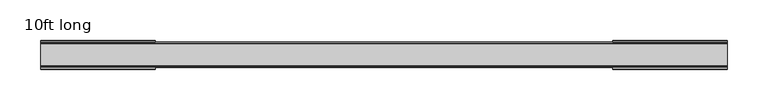
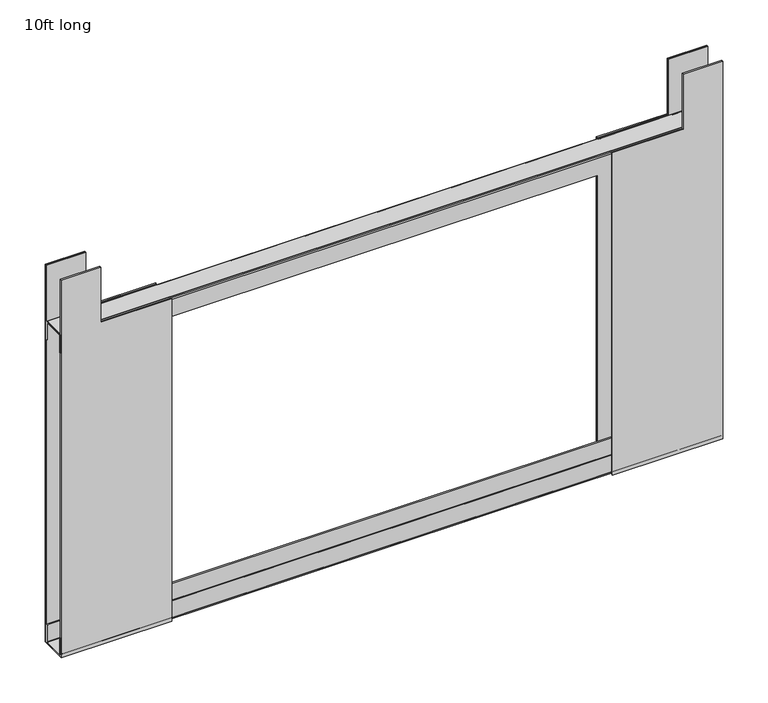
"""IFC4 building model written with IfcOpenShell, lengths in millimetres: furniture geometry, 10ft long."""

from ifc_helpers import new_model, si_unit, point, frame, frame_2d, origin, place, context, project, spatial, polyline, circle_curve, trimmed, segment, composite_curve, outline, extrude, triangles, source, transform, mapped, element, save


def furniture_10ft_long_ed93add2(model_context):
    return source(origin(), model_context, "Body", "SolidModel", [
        triangles([(-420.4970078, 13.483753, 1866.5433357), (420.4970078, 13.483753, 1866.5433357), (420.4970078, 13.2771511, 1866.5705143), (-420.4970078, 13.2771511, 1866.5705143), (-420.4970078, 13.676275, 1866.4635441), (420.4970078, 13.676275, 1866.4635441), (-420.4970078, 13.8415981, 1866.3366623), (420.4970078, 13.8415981, 1866.3366623), (-420.4970078, 14.0482, 1865.9788353), (420.4970078, 14.0482, 1865.9788353), (420.4970078, 13.9684549, 1866.1714108), (-420.4970078, 13.9684549, 1866.1714108), (-420.4970078, 14.0754002, 1865.7723072), (420.4970078, 14.0754002, 1865.7723072), (420.4970078, -13.1758559, 1866.5705143), (-420.4970078, -13.1758559, 1866.5705143), (-420.4970078, -14.0449424, 1865.9036945), (420.4970078, -14.0449424, 1865.9036945), (420.4970078, -14.0756, 1865.6707146), (-420.4970078, -14.0756, 1865.6707146), (-420.4970078, -13.9550575, 1866.1206871), (420.4970078, -13.9550575, 1866.1206871), (-420.4970078, -13.8120714, 1866.3070129), (420.4970078, -13.8120714, 1866.3070129), (-420.4970078, -13.4087269, 1866.5398476), (420.4970078, -13.4087269, 1866.5398476), (420.4970078, -13.6257274, 1866.4500275), (-420.4970078, -13.6257274, 1866.4500275), (-420.4970078, -14.0756, 1842.9472469), (420.4970078, -14.0756, 1842.9472469), (420.4970078, -15.5955994, 1842.9472469), (-420.4970078, -15.5955994, 1842.9472469), (420.4970078, -14.9268528, 1867.4217705), (-420.4970078, -14.9268528, 1867.4217705), (-420.4970078, -15.5955994, 1865.8084969), (420.4970078, -15.5955994, 1865.8084969), (420.4970078, -13.3135996, 1868.0904797), (-420.4970078, -13.3135996, 1868.0904797), (420.4970078, 13.3133998, 1868.0904797), (-420.4970078, 13.3133998, 1868.0904797), (420.4970078, 14.9266518, 1867.4217705), (-420.4970078, 14.9266518, 1867.4217705), (420.4970078, 15.5953996, 1865.8084969), (-420.4970078, 15.5953996, 1865.8084969), (-420.4970078, 15.5953996, 1842.9834366), (420.4970078, 15.5953996, 1842.9834366), (420.4970078, 14.0754002, 1842.9834366), (-420.4970078, 14.0754002, 1842.9834366), (-370.4843991, 15.5955994, 1868.0904797), (-370.4843991, 17.1156, 1868.0904797), (-370.4843991, 17.1156, 1942.5054142), (-370.4843991, 15.5955994, 1942.5054142), (-280.3906069, 15.5955994, 1868.0904797), (-280.3906069, 17.1156, 1868.0904797), (-280.3906069, 17.1156, 1435.2166111), (-280.3906069, 15.5955994, 1435.2166111), (-420.4970078, 17.1156, 1435.2166111), (-420.4970078, 15.5955994, 1435.2166111), (-420.4970078, 17.1156, 1942.5054142), (-420.4970078, 15.5955994, 1942.5054142), (-370.4843991, -15.5955994, 1868.0904797), (-370.4843991, -17.1156, 1868.0904797), (-280.3906069, -17.1156, 1868.0904797), (-280.3906069, -15.5955994, 1868.0904797), (-370.4843991, -15.5955994, 1942.5054142), (-370.4843991, -17.1156, 1942.5054142), (-420.4970078, -17.1156, 1435.2166111), (-420.4970078, -15.5955994, 1435.2166111), (-280.3906069, -15.5955994, 1435.2166111), (-280.3906069, -17.1156, 1435.2166111), (-420.4970078, -15.5955994, 1942.5054142), (-420.4970078, -17.1156, 1942.5054142), (-420.4970078, 14.0482, 1437.2945366), (420.4970078, 14.0482, 1437.2945366), (420.4970078, 14.0754002, 1437.50121), (-420.4970078, 14.0754002, 1437.50121), (-420.4970078, 13.9684549, 1437.1019611), (420.4970078, 13.9684549, 1437.1019611), (-420.4970078, 13.8415981, 1436.9367096), (420.4970078, 13.8415981, 1436.9367096), (-420.4970078, 13.483753, 1436.7300362), (420.4970078, 13.483753, 1436.7300362), (420.4970078, 13.676275, 1436.8098278), (-420.4970078, 13.676275, 1436.8098278), (-420.4970078, 13.2771511, 1436.7028576), (420.4970078, 13.2771511, 1436.7028576), (-420.4970078, -13.1758559, 1436.7028576), (420.4970078, -13.1758559, 1436.7028576), (-420.4970078, -13.4087269, 1436.7335243), (420.4970078, -13.4087269, 1436.7335243), (-420.4970078, -13.6257274, 1436.8234898), (420.4970078, -13.6257274, 1436.8234898), (-420.4970078, -13.8120714, 1436.9663589), (420.4970078, -13.8120714, 1436.9663589), (-420.4970078, -14.0449424, 1437.3698227), (420.4970078, -14.0449424, 1437.3698227), (420.4970078, -13.9550575, 1437.1528301), (-420.4970078, -13.9550575, 1437.1528301), (-420.4970078, -14.0756, 1437.6026573), (420.4970078, -14.0756, 1437.6026573), (420.4970078, -14.0756, 1460.3262703), (-420.4970078, -14.0756, 1460.3262703), (-420.4970078, -15.5955994, 1460.3262703), (420.4970078, -15.5955994, 1460.3262703), (420.4970078, -15.5955994, 1437.464875), (-420.4970078, -15.5955994, 1437.464875), (-420.4970078, -14.9268528, 1435.8516014), (420.4970078, -14.9268528, 1435.8516014), (-420.4970078, -13.3135996, 1435.1828922), (420.4970078, -13.3135996, 1435.1828922), (-420.4970078, 13.3133998, 1435.1828922), (420.4970078, 13.3133998, 1435.1828922), (420.4970078, 14.9266518, 1435.8516014), (-420.4970078, 14.9266518, 1435.8516014), (-420.4970078, 15.5953996, 1437.464875), (420.4970078, 15.5953996, 1437.464875), (420.4970078, 15.5953996, 1460.2899353), (-420.4970078, 15.5953996, 1460.2899353), (-420.4970078, 14.0754002, 1460.2899353), (420.4970078, 14.0754002, 1460.2899353), (370.4843991, 15.5955994, 1868.0904797), (370.4843991, 15.5955994, 1942.5054142), (370.4843991, 17.1156, 1942.5054142), (370.4843991, 17.1156, 1868.0904797), (280.3906069, 17.1156, 1868.0904797), (280.3906069, 15.5955994, 1868.0904797), (420.4970078, 17.1156, 1435.2166111), (420.4970078, 15.5955994, 1435.2166111), (280.3906069, 15.5955994, 1435.2166111), (280.3906069, 17.1156, 1435.2166111), (420.4970078, 15.5955994, 1942.5054142), (420.4970078, 17.1156, 1942.5054142), (280.3906069, -15.5955994, 1868.0904797), (280.3906069, -17.1156, 1868.0904797), (370.4843991, -17.1156, 1868.0904797), (370.4843991, -15.5955994, 1868.0904797), (370.4843991, -17.1156, 1942.5054142), (370.4843991, -15.5955994, 1942.5054142), (280.3906069, -17.1156, 1435.2166111), (280.3906069, -15.5955994, 1435.2166111), (420.4970078, -17.1156, 1435.2166111), (420.4970078, -15.5955994, 1435.2166111), (420.4970078, -17.1156, 1942.5054142), (420.4970078, -15.5955994, 1942.5054142)], [[1, 2, 3], [1, 3, 4], [5, 6, 2], [5, 2, 1], [6, 5, 7], [6, 7, 8], [9, 10, 11], [9, 11, 12], [13, 14, 10], [13, 10, 9], [8, 7, 12], [8, 12, 11], [4, 3, 15], [4, 15, 16], [17, 18, 19], [17, 19, 20], [21, 22, 18], [21, 18, 17], [22, 21, 23], [22, 23, 24], [25, 26, 27], [25, 27, 28], [16, 15, 26], [16, 26, 25], [24, 23, 28], [24, 28, 27], [29, 30, 31], [29, 31, 32], [33, 34, 35], [33, 35, 36], [37, 38, 34], [37, 34, 33], [39, 40, 38], [39, 38, 37], [41, 42, 40], [41, 40, 39], [42, 41, 43], [42, 43, 44], [45, 46, 47], [45, 47, 48], [43, 46, 45], [43, 45, 44], [36, 35, 32], [36, 32, 31], [20, 19, 30], [20, 30, 29], [14, 13, 48], [14, 48, 47], [20, 29, 35], [29, 32, 35], [21, 17, 34], [17, 35, 34], [35, 17, 20], [45, 48, 13], [45, 13, 44], [44, 9, 12], [44, 12, 42], [9, 44, 13], [28, 23, 34], [38, 25, 28], [38, 28, 34], [16, 25, 38], [16, 38, 40], [23, 21, 34], [5, 1, 40], [5, 40, 42], [7, 5, 42], [40, 4, 16], [40, 1, 4], [7, 42, 12], [37, 26, 15], [37, 15, 39], [37, 33, 27], [37, 27, 26], [24, 27, 33], [33, 22, 24], [41, 39, 6], [41, 6, 8], [3, 39, 15], [2, 39, 3], [2, 6, 39], [41, 8, 11], [36, 18, 22], [36, 22, 33], [18, 36, 19], [31, 30, 19], [31, 19, 36], [11, 10, 41], [10, 43, 41], [43, 10, 14], [14, 47, 43], [47, 46, 43], [49, 50, 51], [49, 51, 52], [53, 54, 50], [53, 50, 49], [55, 56, 57], [56, 58, 57], [56, 55, 54], [56, 54, 53], [52, 51, 59], [52, 59, 60], [58, 60, 59], [58, 59, 57], [50, 54, 55], [50, 55, 57], [59, 51, 50], [59, 50, 57], [49, 52, 60], [49, 60, 58], [56, 53, 49], [56, 49, 58], [61, 62, 63], [61, 63, 64], [65, 66, 62], [65, 62, 61], [67, 68, 69], [67, 69, 70], [64, 63, 70], [64, 70, 69], [71, 72, 66], [71, 66, 65], [72, 71, 68], [72, 68, 67], [62, 66, 72], [67, 70, 62], [67, 62, 72], [62, 70, 63], [61, 69, 68], [61, 68, 71], [69, 61, 64], [65, 61, 71], [73, 74, 75], [73, 75, 76], [77, 78, 74], [77, 74, 73], [78, 77, 79], [78, 79, 80], [81, 82, 83], [81, 83, 84], [85, 86, 82], [85, 82, 81], [80, 79, 84], [80, 84, 83], [86, 85, 87], [86, 87, 88], [89, 90, 88], [89, 88, 87], [91, 92, 90], [91, 90, 89], [92, 91, 93], [92, 93, 94], [95, 96, 97], [95, 97, 98], [99, 100, 96], [99, 96, 95], [94, 93, 98], [94, 98, 97], [101, 102, 103], [101, 103, 104], [105, 106, 107], [105, 107, 108], [109, 110, 108], [109, 108, 107], [111, 112, 110], [111, 110, 109], [113, 112, 111], [113, 111, 114], [115, 116, 113], [115, 113, 114], [117, 118, 119], [117, 119, 120], [117, 116, 115], [117, 115, 118], [104, 103, 106], [104, 106, 105], [102, 101, 100], [102, 100, 99], [120, 119, 76], [120, 76, 75], [109, 89, 87], [109, 87, 111], [109, 107, 91], [109, 91, 89], [93, 91, 107], [107, 98, 93], [114, 111, 84], [114, 84, 79], [85, 111, 87], [81, 111, 85], [81, 84, 111], [114, 79, 77], [106, 95, 98], [106, 98, 107], [95, 106, 99], [103, 102, 99], [103, 99, 106], [77, 73, 115], [77, 115, 114], [115, 73, 76], [76, 119, 118], [76, 118, 115], [100, 101, 104], [100, 104, 105], [97, 96, 105], [97, 105, 108], [105, 96, 100], [117, 120, 75], [117, 75, 116], [116, 74, 78], [116, 78, 113], [74, 116, 75], [92, 94, 108], [110, 90, 92], [110, 92, 108], [88, 90, 112], [90, 110, 112], [94, 97, 108], [83, 82, 113], [82, 112, 113], [80, 83, 113], [112, 86, 88], [112, 82, 86], [80, 113, 78], [121, 122, 123], [121, 123, 124], [121, 124, 125], [121, 125, 126], [127, 128, 129], [127, 129, 130], [129, 126, 125], [129, 125, 130], [131, 132, 123], [131, 123, 122], [128, 127, 132], [128, 132, 131], [124, 123, 132], [127, 130, 124], [127, 124, 132], [124, 130, 125], [121, 129, 128], [121, 128, 131], [129, 121, 126], [122, 121, 131], [133, 134, 135], [133, 135, 136], [137, 138, 136], [137, 136, 135], [139, 140, 141], [140, 142, 141], [134, 133, 140], [134, 140, 139], [138, 137, 143], [138, 143, 144], [144, 143, 141], [144, 141, 142], [135, 134, 139], [135, 139, 141], [143, 137, 135], [143, 135, 141], [136, 138, 144], [136, 144, 142], [140, 133, 136], [140, 136, 142]]),
        extrude(outline(polyline([(1942.5053658, 420.4970078), (1942.5053658, 370.4843991), (1868.424, 370.4843991), (1868.424, 280.3906069), (1435.2165625, 280.3906069), (1435.2165625, 420.4970078), (1942.5053658, 420.4970078)])), frame((0.0, 16.0963002, 0.0), z_axis=(0.0, 1.0, 0.0), x_axis=(0.0, 0.0, 1.0)), (0.0, 0.0, 1.0), 1.5199994),
        extrude(outline(polyline([(1942.5053658, 420.4970078), (1942.5053658, 370.4843991), (1868.424, 370.4843991), (1868.424, 280.3906069), (1435.2165625, 280.3906069), (1435.2165625, 420.4970078), (1942.5053658, 420.4970078)])), frame((0.0, -17.6162996, 0.0), z_axis=(0.0, 1.0, 0.0), x_axis=(0.0, 0.0, 1.0)), (0.0, 0.0, 1.0), 1.5199994),
        extrude(outline(polyline([(1942.5053658, -420.4970078), (1435.2165625, -420.4970078), (1435.2165625, -280.3906069), (1868.424, -280.3906069), (1868.424, -370.4843991), (1942.5053658, -370.4843991), (1942.5053658, -420.4970078)])), frame((0.0, 16.0963002, 0.0), z_axis=(0.0, 1.0, 0.0), x_axis=(0.0, 0.0, 1.0)), (0.0, 0.0, 1.0), 1.5199994),
        extrude(outline(composite_curve([segment(polyline([(-15.5954995, 1460.4500058), (-14.0755001, 1460.4500058), (-14.0755001, 1437.8048489)]), True, "CONTINUOUS"), segment(trimmed(circle_curve(frame_2d((-13.0206916, 1437.8048489)), 1.0548085), [point((-14.0755001, 1437.8048489))], [point((-13.0206916, 1436.7500404))], True, "CARTESIAN"), True, "CONTINUOUS"), segment(polyline([(-13.0206916, 1436.7500404), (13.1161882, 1436.7500404)]), True, "CONTINUOUS"), segment(trimmed(circle_curve(frame_2d((13.1161882, 1437.7093522)), 0.9593119), [point((13.1161882, 1436.7500404))], [point((14.0755001, 1437.7093522))], True, "CARTESIAN"), True, "CONTINUOUS"), segment(polyline([(14.0755001, 1437.7093522), (14.0755001, 1460.2526932), (15.5956994, 1460.2526932), (15.5956994, 1437.5125217), (14.9267517, 1435.8987842), (13.3134997, 1435.2300387), (-13.3134997, 1435.2300387), (-14.9267529, 1435.8987842), (-15.5954995, 1437.5120396), (-15.5954995, 1460.4500058)]), True, "CONTINUOUS")], self_intersect=False)), frame((-420.4970078, 0.0, 0.0), z_axis=(1.0, 0.0, 0.0), x_axis=(0.0, 1.0, 0.0)), (0.0, 0.0, 1.0), 840.9940155),
        extrude(outline(polyline([(1942.5053658, -420.4970078), (1435.2165625, -420.4970078), (1435.2165625, -280.3906069), (1868.424, -280.3906069), (1868.424, -370.4843991), (1942.5053658, -370.4843991), (1942.5053658, -420.4970078)])), frame((0.0, -17.6162996, 0.0), z_axis=(0.0, 1.0, 0.0), x_axis=(0.0, 0.0, 1.0)), (0.0, 0.0, 1.0), 1.5199994),
        extrude(outline(composite_curve([segment(polyline([(-15.5954995, 1843.1671812), (-15.5954995, 1866.1051473), (-14.9267529, 1867.7184028), (-13.3134997, 1868.3871483), (13.3134997, 1868.3871483), (14.9267517, 1867.7184028), (15.5956994, 1866.1046652), (15.5956994, 1843.3644938), (14.0755001, 1843.3644938), (14.0755001, 1865.9078347)]), True, "CONTINUOUS"), segment(trimmed(circle_curve(frame_2d((13.1161882, 1865.9078347)), 0.9593119), [point((14.0755001, 1865.9078347))], [point((13.1161882, 1866.8671466))], True, "CARTESIAN"), True, "CONTINUOUS"), segment(polyline([(13.1161882, 1866.8671466), (-13.0206916, 1866.8671466)]), True, "CONTINUOUS"), segment(trimmed(circle_curve(frame_2d((-13.0206916, 1865.8123381)), 1.0548085), [point((-13.0206916, 1866.8671466))], [point((-14.0755001, 1865.8123381))], True, "CARTESIAN"), True, "CONTINUOUS"), segment(polyline([(-14.0755001, 1865.8123381), (-14.0755001, 1843.1671812), (-15.5954995, 1843.1671812)]), True, "CONTINUOUS")], self_intersect=False)), frame((-420.4970078, 0.0, 0.0), z_axis=(1.0, 0.0, 0.0), x_axis=(0.0, 1.0, 0.0)), (0.0, 0.0, 1.0), 840.9940155),
    ])


if __name__ == "__main__":
    model = new_model("IFC4")
    model_context = context("Model", 3, world=origin())
    ifc_project = project(units=[si_unit("LENGTHUNIT", "METRE", prefix="MILLI")], contexts=[model_context])
    site = spatial("IfcSite", under=ifc_project)
    building = spatial("IfcBuilding", under=site)
    placement = place(None, origin())
    furniture_10ft_long_shape = furniture_10ft_long_ed93add2(model_context)
    element("IfcFurniture", 1, ObjectType="10ft long", at=placement, inside=building, context=model_context, shape_type="MappedRepresentation", body=[
        mapped(furniture_10ft_long_shape, transform((0.0, 0.0, 0.0), x_axis=(1.0, 0.0, 0.0), y_axis=(0.0, 1.0, 0.0), z_axis=(0.0, 0.0, 1.0))),
    ])
    save(model, "model.ifc")
